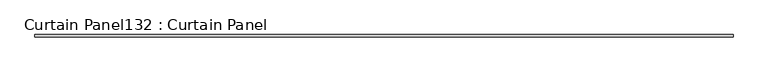
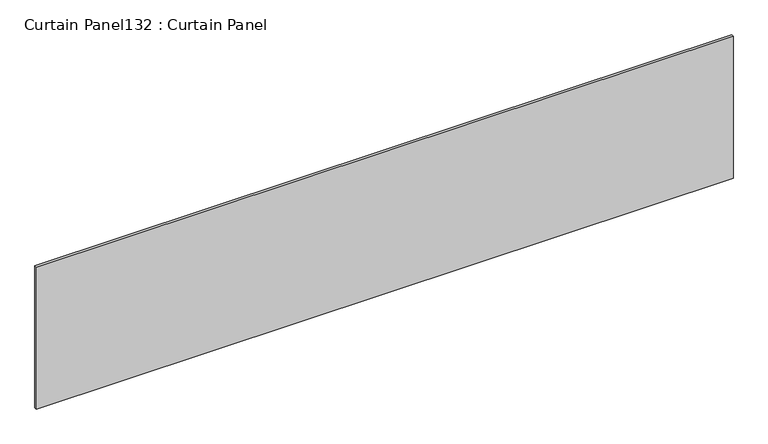
"""IFC4 building model written with IfcOpenShell, lengths in millimetres: plate geometry, Curtain Panel132 : Curtain Panel."""

from ifc_helpers import new_model, si_unit, frame, origin, place, context, project, spatial, polyline, outline, extrude, source, transform, mapped, element, save


def curtain_panel132_curtain_panel_e012153b(model_context):
    return source(origin(), model_context, "Body", "SweptSolid", [
        extrude(outline(polyline([(300220.6925793, 2040.743529), (293210.2925793, 2040.743529), (293210.2925793, 2066.143529), (300220.6925793, 2066.143529), (300220.6925793, 2040.743529)])), frame((0.0, 0.0, 5632.7163816), z_axis=(0.0, 0.0, 1.0), x_axis=(1.0, 0.0, 0.0)), (0.0, 0.0, 1.0), 1510.4026989),
    ])


if __name__ == "__main__":
    model = new_model("IFC4")
    model_context = context("Model", 3, world=origin())
    ifc_project = project(units=[si_unit("LENGTHUNIT", "METRE", prefix="MILLI")], contexts=[model_context])
    site = spatial("IfcSite", under=ifc_project)
    building = spatial("IfcBuilding", under=site)
    placement = place(None, origin())
    curtain_panel132_curtain_panel_shape = curtain_panel132_curtain_panel_e012153b(model_context)
    element("IfcPlate", 1, ObjectType="Curtain Panel132 : Curtain Panel", at=placement, inside=building, context=model_context, shape_type="MappedRepresentation", body=[
        mapped(curtain_panel132_curtain_panel_shape, transform((0.0, 0.0, 0.0), x_axis=(1.0, 0.0, 0.0), y_axis=(0.0, 1.0, 0.0), z_axis=(0.0, 0.0, 1.0))),
    ])
    save(model, "model.ifc")
